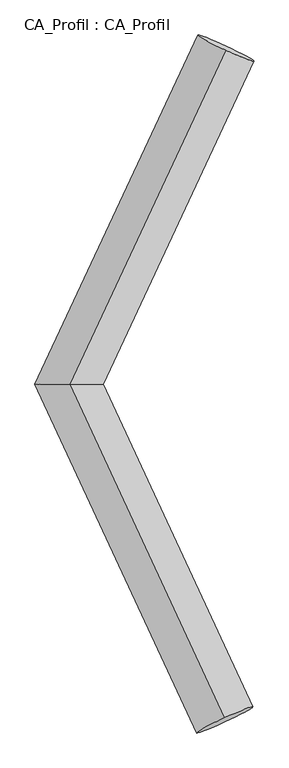
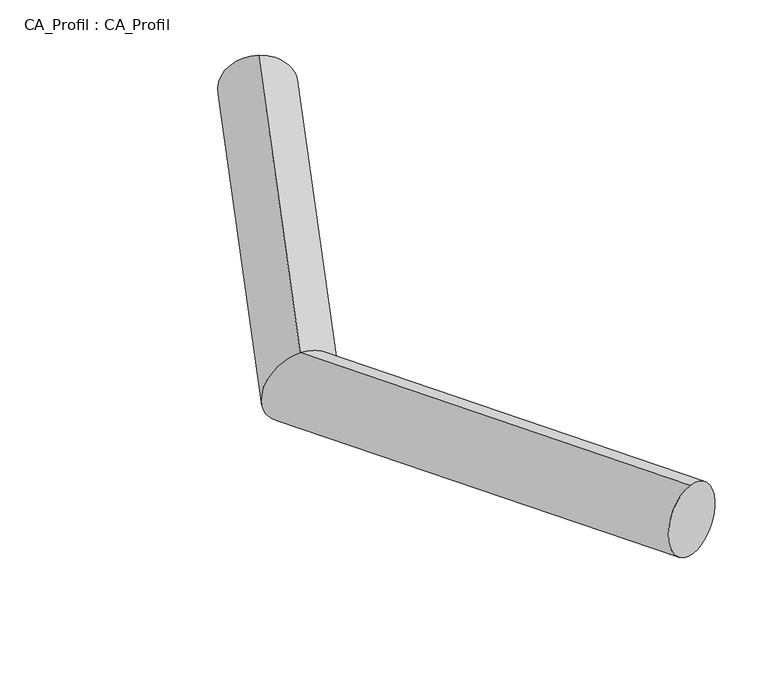
"""IFC4 building model written with IfcOpenShell, lengths in millimetres: plate geometry, CA_Profil : CA_Profil."""

from ifc_helpers import new_model, si_unit, frame, origin, place, context, project, spatial, circle_curve, ellipse_curve, source, transform, mapped, element, save
from ifc_brep_helpers import plane_surface, cylinder_surface, advanced_brep


def ca_profil_ca_profil_db0da271(model_context):
    return source(origin(), model_context, "Body", "AdvancedBrep", [
        advanced_brep(
        [(6102.9637461, 8821.0161732, -155.3969352), (6098.9579541, 8788.2049086, 343.5092429), (4832.7635999, 6095.9675879, -344.812204), (4844.0820165, 6096.0324121, 156.3791566), (6093.011498, 3375.5077622, -155.0710606), (6089.0836756, 3408.4841911, 343.8248477)],
        [
            (0, 1, circle_curve(frame((6100.9608501, 8804.6105409, 94.0561539), z_axis=(0.4216427351725787, 0.9045794416219587, 0.06287636814489456), x_axis=(-0.008011583883471238, -0.06562252929320601, 0.9978123561937087)), 250.0)),
            (1, 0, circle_curve(frame((6100.9608501, 8804.6105409, 94.0561539), z_axis=(0.4216427351725787, 0.9045794416219587, 0.06287636814489456), x_axis=(-0.008011583883471238, -0.06562252929320601, 0.9978123561937087)), 250.0)),
            (0, 2),
            (2, 3, ellipse_curve(frame((4838.4228082, 6096.0, -94.2165237), z_axis=(0.0011851673239254058, 0.9999992855046301, -0.00015610459179711105), x_axis=(0.9889590960902703, -0.0011489505769555115, 0.1481842979970792)), 276.2221263, 250.0)),
            (3, 1),
            (3, 2, ellipse_curve(frame((4838.4228082, 6096.0, -94.2165237), z_axis=(0.0011851673239254058, 0.9999992855046301, -0.00015610459179711105), x_axis=(0.9889590960902703, -0.0011489505769555115, 0.1481842979970792)), 276.2221263, 250.0)),
            (4, 5, circle_curve(frame((6091.0475868, 3391.9959767, 94.3768935), z_axis=(0.4194974194809051, -0.9055566594561544, 0.06315893890394607), x_axis=(-0.007855644922608063, 0.06595285782511791, 0.9977918166569366)), 250.0)),
            (5, 4, circle_curve(frame((6091.0475868, 3391.9959767, 94.3768935), z_axis=(0.4194974194809051, -0.9055566594561544, 0.06315893890394607), x_axis=(-0.007855644922608063, 0.06595285782511791, 0.9977918166569366)), 250.0)),
            (2, 4),
            (5, 3),
        ],
        [
            plane_surface(frame((6100.9608501, 8821.9459511, -155.342089), z_axis=(0.42164273517257894, 0.9045794416219586, 0.06287636814489388), x_axis=(0.9067620436896257, -0.4206278290988092, -0.029237399190703145))),
            cylinder_surface(frame((6100.9608501, 8804.6105409, 94.0561539), z_axis=(0.4216427351725787, 0.9045794416219587, 0.06287636814489456), x_axis=(-0.008011583883471238, -0.06562252929320601, 0.9978123561937087)), 250.0),
            plane_surface(frame((6091.0475868, 3374.6017369, -155.0172532), z_axis=(0.41949741948090524, -0.9055566594561543, 0.06315893890394621), x_axis=(0.9077565285079814, 0.4184808039441883, -0.029187354819585343))),
            cylinder_surface(frame((4838.4228082, 6096.0, -94.2165237), z_axis=(-0.4194974194809051, 0.9055566594561544, -0.06315893890394607), x_axis=(-0.007855644922608063, 0.06595285782511791, 0.9977918166569366)), 250.0),
        ],
        [
            (0, [[1, 2]]),
            (1, [[-1, 3, 4, 5]]),
            (1, [[-2, -5, 6, -3]]),
            (2, [[7, 8]]),
            (3, [[-4, 9, -8, 10]]),
            (3, [[-6, -10, -7, -9]]),
        ],
    ),
    ])


if __name__ == "__main__":
    model = new_model("IFC4")
    model_context = context("Model", 3, world=origin())
    ifc_project = project(units=[si_unit("LENGTHUNIT", "METRE", prefix="MILLI")], contexts=[model_context])
    site = spatial("IfcSite", under=ifc_project)
    building = spatial("IfcBuilding", under=site)
    placement = place(None, origin())
    ca_profil_ca_profil_shape = ca_profil_ca_profil_db0da271(model_context)
    element("IfcPlate", 1, ObjectType="CA_Profil : CA_Profil", at=placement, inside=building, context=model_context, shape_type="MappedRepresentation", body=[
        mapped(ca_profil_ca_profil_shape, transform((0.0, 0.0, 0.0), x_axis=(1.0, 0.0, 0.0), y_axis=(0.0, 1.0, 0.0), z_axis=(0.0, 0.0, 1.0))),
    ])
    save(model, "model.ifc")
